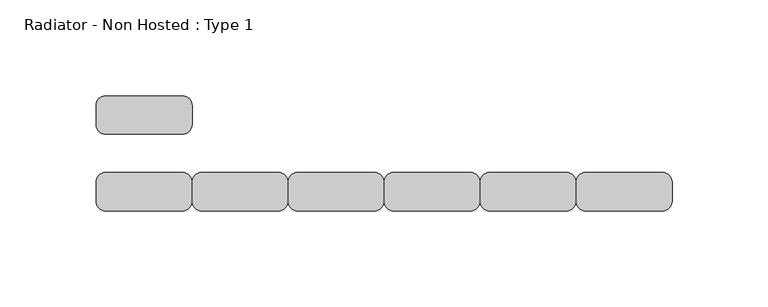
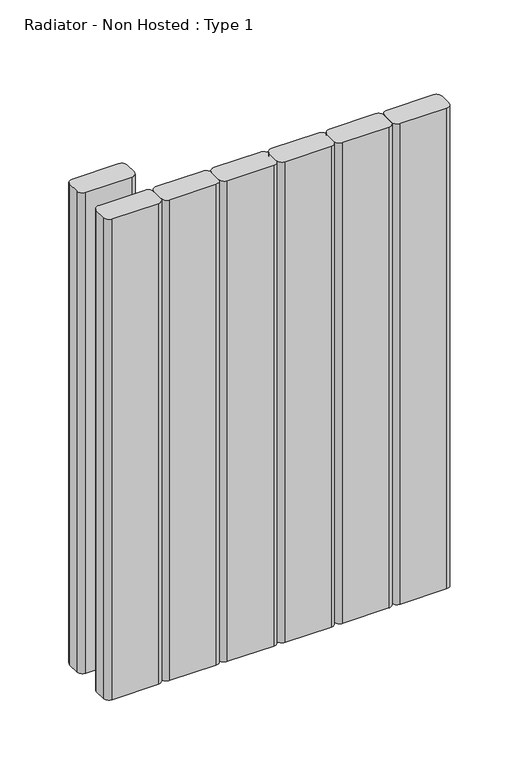
"""IFC4 building model written with IfcOpenShell, lengths in millimetres: proxy geometry, Radiator - Non Hosted : Type 1."""

from ifc_helpers import new_model, si_unit, point, frame, frame_2d, origin, place, context, project, spatial, polyline, circle_curve, trimmed, segment, composite_curve, outline, extrude, source, transform, mapped, element, save


def radiator_non_hosted_type_1_7282faf3(model_context):
    return source(origin(), model_context, "Body", "SweptSolid", [
        extrude(outline(composite_curve([segment(trimmed(circle_curve(frame_2d((395.0, 55.0)), 5.0), [point((395.0, 60.0))], [point((400.0, 55.0))], False, "CARTESIAN"), True, "CONTINUOUS"), segment(polyline([(400.0, 55.0), (400.0, 45.0)]), True, "CONTINUOUS"), segment(trimmed(circle_curve(frame_2d((395.0, 45.0)), 5.0), [point((400.0, 45.0))], [point((395.0, 40.0))], False, "CARTESIAN"), True, "CONTINUOUS"), segment(polyline([(395.0, 40.0), (355.0, 40.0)]), True, "CONTINUOUS"), segment(trimmed(circle_curve(frame_2d((355.0, 45.0)), 5.0), [point((355.0, 40.0))], [point((350.0, 45.0))], False, "CARTESIAN"), True, "CONTINUOUS"), segment(polyline([(350.0, 45.0), (350.0, 55.0)]), True, "CONTINUOUS"), segment(trimmed(circle_curve(frame_2d((355.0, 55.0)), 5.0), [point((350.0, 55.0))], [point((355.0, 60.0))], False, "CARTESIAN"), True, "CONTINUOUS"), segment(polyline([(355.0, 60.0), (395.0, 60.0)]), True, "CONTINUOUS")], self_intersect=False)), frame((0.0, 0.0, 100.0), z_axis=(0.0, 0.0, 1.0), x_axis=(1.0, 0.0, 0.0)), (0.0, 0.0, 1.0), 441.0619944),
        extrude(outline(composite_curve([segment(trimmed(circle_curve(frame_2d((345.0, 55.0)), 5.0), [point((345.0, 60.0))], [point((350.0, 55.0))], False, "CARTESIAN"), True, "CONTINUOUS"), segment(polyline([(350.0, 55.0), (350.0, 45.0)]), True, "CONTINUOUS"), segment(trimmed(circle_curve(frame_2d((345.0, 45.0)), 5.0), [point((350.0, 45.0))], [point((345.0, 40.0))], False, "CARTESIAN"), True, "CONTINUOUS"), segment(polyline([(345.0, 40.0), (305.0, 40.0)]), True, "CONTINUOUS"), segment(trimmed(circle_curve(frame_2d((305.0, 45.0)), 5.0), [point((305.0, 40.0))], [point((300.0, 45.0))], False, "CARTESIAN"), True, "CONTINUOUS"), segment(polyline([(300.0, 45.0), (300.0, 55.0)]), True, "CONTINUOUS"), segment(trimmed(circle_curve(frame_2d((305.0, 55.0)), 5.0), [point((300.0, 55.0))], [point((305.0, 60.0))], False, "CARTESIAN"), True, "CONTINUOUS"), segment(polyline([(305.0, 60.0), (345.0, 60.0)]), True, "CONTINUOUS")], self_intersect=False)), frame((0.0, 0.0, 100.0), z_axis=(0.0, 0.0, 1.0), x_axis=(1.0, 0.0, 0.0)), (0.0, 0.0, 1.0), 441.0619944),
        extrude(outline(composite_curve([segment(trimmed(circle_curve(frame_2d((295.0, 55.0)), 5.0), [point((295.0, 60.0))], [point((300.0, 55.0))], False, "CARTESIAN"), True, "CONTINUOUS"), segment(polyline([(300.0, 55.0), (300.0, 45.0)]), True, "CONTINUOUS"), segment(trimmed(circle_curve(frame_2d((295.0, 45.0)), 5.0), [point((300.0, 45.0))], [point((295.0, 40.0))], False, "CARTESIAN"), True, "CONTINUOUS"), segment(polyline([(295.0, 40.0), (255.0, 40.0)]), True, "CONTINUOUS"), segment(trimmed(circle_curve(frame_2d((255.0, 45.0)), 5.0), [point((255.0, 40.0))], [point((250.0, 45.0))], False, "CARTESIAN"), True, "CONTINUOUS"), segment(polyline([(250.0, 45.0), (250.0, 55.0)]), True, "CONTINUOUS"), segment(trimmed(circle_curve(frame_2d((255.0, 55.0)), 5.0), [point((250.0, 55.0))], [point((255.0, 60.0))], False, "CARTESIAN"), True, "CONTINUOUS"), segment(polyline([(255.0, 60.0), (295.0, 60.0)]), True, "CONTINUOUS")], self_intersect=False)), frame((0.0, 0.0, 100.0), z_axis=(0.0, 0.0, 1.0), x_axis=(1.0, 0.0, 0.0)), (0.0, 0.0, 1.0), 441.0619944),
        extrude(outline(composite_curve([segment(trimmed(circle_curve(frame_2d((245.0, 55.0)), 5.0), [point((245.0, 60.0))], [point((250.0, 55.0))], False, "CARTESIAN"), True, "CONTINUOUS"), segment(polyline([(250.0, 55.0), (250.0, 45.0)]), True, "CONTINUOUS"), segment(trimmed(circle_curve(frame_2d((245.0, 45.0)), 5.0), [point((250.0, 45.0))], [point((245.0, 40.0))], False, "CARTESIAN"), True, "CONTINUOUS"), segment(polyline([(245.0, 40.0), (205.0, 40.0)]), True, "CONTINUOUS"), segment(trimmed(circle_curve(frame_2d((205.0, 45.0)), 5.0), [point((205.0, 40.0))], [point((200.0, 45.0))], False, "CARTESIAN"), True, "CONTINUOUS"), segment(polyline([(200.0, 45.0), (200.0, 55.0)]), True, "CONTINUOUS"), segment(trimmed(circle_curve(frame_2d((205.0, 55.0)), 5.0), [point((200.0, 55.0))], [point((205.0, 60.0))], False, "CARTESIAN"), True, "CONTINUOUS"), segment(polyline([(205.0, 60.0), (245.0, 60.0)]), True, "CONTINUOUS")], self_intersect=False)), frame((0.0, 0.0, 100.0), z_axis=(0.0, 0.0, 1.0), x_axis=(1.0, 0.0, 0.0)), (0.0, 0.0, 1.0), 441.0619944),
        extrude(outline(composite_curve([segment(trimmed(circle_curve(frame_2d((195.0, 55.0)), 5.0), [point((195.0, 60.0))], [point((200.0, 55.0))], False, "CARTESIAN"), True, "CONTINUOUS"), segment(polyline([(200.0, 55.0), (200.0, 45.0)]), True, "CONTINUOUS"), segment(trimmed(circle_curve(frame_2d((195.0, 45.0)), 5.0), [point((200.0, 45.0))], [point((195.0, 40.0))], False, "CARTESIAN"), True, "CONTINUOUS"), segment(polyline([(195.0, 40.0), (155.0, 40.0)]), True, "CONTINUOUS"), segment(trimmed(circle_curve(frame_2d((155.0, 45.0)), 5.0), [point((155.0, 40.0))], [point((150.0, 45.0))], False, "CARTESIAN"), True, "CONTINUOUS"), segment(polyline([(150.0, 45.0), (150.0, 55.0)]), True, "CONTINUOUS"), segment(trimmed(circle_curve(frame_2d((155.0, 55.0)), 5.0), [point((150.0, 55.0))], [point((155.0, 60.0))], False, "CARTESIAN"), True, "CONTINUOUS"), segment(polyline([(155.0, 60.0), (195.0, 60.0)]), True, "CONTINUOUS")], self_intersect=False)), frame((0.0, 0.0, 100.0), z_axis=(0.0, 0.0, 1.0), x_axis=(1.0, 0.0, 0.0)), (0.0, 0.0, 1.0), 441.0619944),
        extrude(outline(composite_curve([segment(trimmed(circle_curve(frame_2d((145.0, 95.0)), 5.0), [point((145.0, 100.0))], [point((150.0, 95.0))], False, "CARTESIAN"), True, "CONTINUOUS"), segment(polyline([(150.0, 95.0), (150.0, 85.0)]), True, "CONTINUOUS"), segment(trimmed(circle_curve(frame_2d((145.0, 85.0)), 5.0), [point((150.0, 85.0))], [point((145.0, 80.0))], False, "CARTESIAN"), True, "CONTINUOUS"), segment(polyline([(145.0, 80.0), (105.0, 80.0)]), True, "CONTINUOUS"), segment(trimmed(circle_curve(frame_2d((105.0, 85.0)), 5.0), [point((105.0, 80.0))], [point((100.0, 85.0))], False, "CARTESIAN"), True, "CONTINUOUS"), segment(polyline([(100.0, 85.0), (100.0, 95.0)]), True, "CONTINUOUS"), segment(trimmed(circle_curve(frame_2d((105.0, 95.0)), 5.0), [point((100.0, 95.0))], [point((105.0, 100.0))], False, "CARTESIAN"), True, "CONTINUOUS"), segment(polyline([(105.0, 100.0), (145.0, 100.0)]), True, "CONTINUOUS")], self_intersect=False)), frame((0.0, 0.0, 100.0), z_axis=(0.0, 0.0, 1.0), x_axis=(1.0, 0.0, 0.0)), (0.0, 0.0, 1.0), 441.0619944),
        extrude(outline(composite_curve([segment(trimmed(circle_curve(frame_2d((145.0, 55.0)), 5.0), [point((145.0, 60.0))], [point((150.0, 55.0))], False, "CARTESIAN"), True, "CONTINUOUS"), segment(polyline([(150.0, 55.0), (150.0, 45.0)]), True, "CONTINUOUS"), segment(trimmed(circle_curve(frame_2d((145.0, 45.0)), 5.0), [point((150.0, 45.0))], [point((145.0, 40.0))], False, "CARTESIAN"), True, "CONTINUOUS"), segment(polyline([(145.0, 40.0), (105.0, 40.0)]), True, "CONTINUOUS"), segment(trimmed(circle_curve(frame_2d((105.0, 45.0)), 5.0), [point((105.0, 40.0))], [point((100.0, 45.0))], False, "CARTESIAN"), True, "CONTINUOUS"), segment(polyline([(100.0, 45.0), (100.0, 55.0)]), True, "CONTINUOUS"), segment(trimmed(circle_curve(frame_2d((105.0, 55.0)), 5.0), [point((100.0, 55.0))], [point((105.0, 60.0))], False, "CARTESIAN"), True, "CONTINUOUS"), segment(polyline([(105.0, 60.0), (145.0, 60.0)]), True, "CONTINUOUS")], self_intersect=False)), frame((0.0, 0.0, 100.0), z_axis=(0.0, 0.0, 1.0), x_axis=(1.0, 0.0, 0.0)), (0.0, 0.0, 1.0), 441.0619944),
    ])


if __name__ == "__main__":
    model = new_model("IFC4")
    model_context = context("Model", 3, world=origin())
    ifc_project = project(units=[si_unit("LENGTHUNIT", "METRE", prefix="MILLI")], contexts=[model_context])
    site = spatial("IfcSite", under=ifc_project)
    building = spatial("IfcBuilding", under=site)
    placement = place(None, origin())
    radiator_non_hosted_type_1_shape = radiator_non_hosted_type_1_7282faf3(model_context)
    element("IfcBuildingElementProxy", 1, Name="Radiator - Non Hosted : Type 1", ObjectType="Radiator - Non Hosted : Type 1", at=placement, inside=building, context=model_context, shape_type="MappedRepresentation", body=[
        mapped(radiator_non_hosted_type_1_shape, transform((0.0, 0.0, 0.0), x_axis=(1.0, 0.0, 0.0), y_axis=(0.0, 1.0, 0.0), z_axis=(0.0, 0.0, 1.0))),
    ])
    save(model, "model.ifc")
